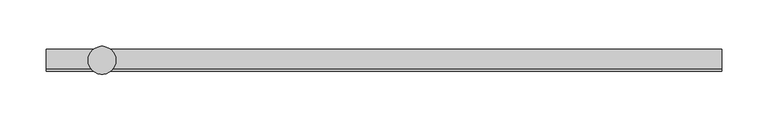
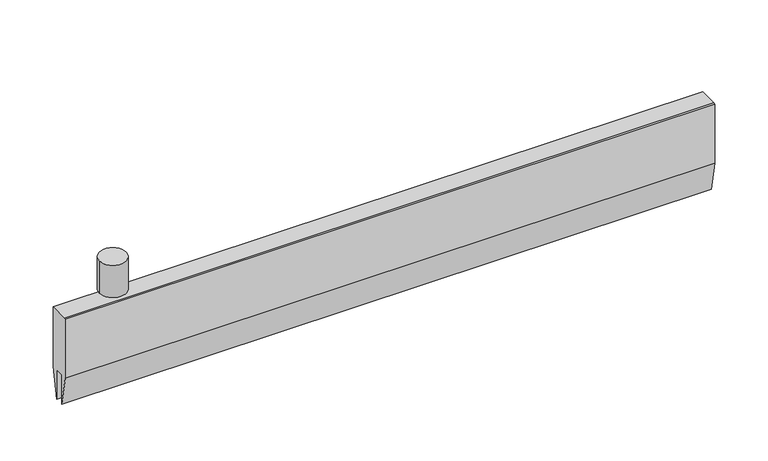
"""IFC4 building model written with IfcOpenShell, lengths in millimetres: proxy geometry."""

from ifc_helpers import new_model, si_unit, point, frame, origin, origin_2d, place, context, project, spatial, polyline, circle_curve, trimmed, segment, composite_curve, outline, extrude, source, transform, mapped, element, save


def specialty_equipment_78077e1c(model_context):
    return source(origin(), model_context, "Body", "SweptSolid", [
        extrude(outline(polyline([(12.0, 49.0), (12.0, -21.0), (5.0, -56.0), (5.0, -21.0), (-5.0, -21.0), (-5.0, -56.0), (-12.0, -21.0), (-12.0, 49.0), (-9.692747, 49.0), (12.0, 49.0)])), frame((-60.0, 0.0, 0.0), z_axis=(1.0, 0.0, 0.0), x_axis=(0.0, 1.0, 0.0)), (0.0, 0.0, 1.0), 727.9166667),
        extrude(outline(composite_curve([segment(trimmed(circle_curve(origin_2d(), 4.0), [point((-4.0, 0.0))], [point((4.0, 0.0))], False, "CARTESIAN"), True, "CONTINUOUS"), segment(trimmed(circle_curve(origin_2d(), 4.0), [point((4.0, 0.0))], [point((-4.0, 0.0))], False, "CARTESIAN"), True, "CONTINUOUS")], self_intersect=False)), frame((0.0, 0.0, 49.0), z_axis=(0.0, 0.0, 1.0), x_axis=(1.0, 0.0, 0.0)), (0.0, 0.0, 1.0), 30.0),
        extrude(outline(composite_curve([segment(trimmed(circle_curve(origin_2d(), 15.0), [point((-15.0, 0.0))], [point((15.0, 0.0))], False, "CARTESIAN"), True, "CONTINUOUS"), segment(trimmed(circle_curve(origin_2d(), 15.0), [point((15.0, 0.0))], [point((-15.0, 0.0))], False, "CARTESIAN"), True, "CONTINUOUS")], self_intersect=False)), frame((0.0, 0.0, 57.0), z_axis=(0.0, 0.0, 1.0), x_axis=(1.0, 0.0, 0.0)), (0.0, 0.0, 1.0), 38.0),
    ])


if __name__ == "__main__":
    model = new_model("IFC4")
    model_context = context("Model", 3, world=origin())
    ifc_project = project(units=[si_unit("LENGTHUNIT", "METRE", prefix="MILLI")], contexts=[model_context])
    site = spatial("IfcSite", under=ifc_project)
    building = spatial("IfcBuilding", under=site)
    placement = place(None, origin())
    specialty_equipment_shape = specialty_equipment_78077e1c(model_context)
    element("IfcBuildingElementProxy", 1, Name="Specialty Equipment", at=placement, inside=building, context=model_context, shape_type="MappedRepresentation", body=[
        mapped(specialty_equipment_shape, transform((0.0, 0.0, 0.0), x_axis=(1.0, 0.0, 0.0), y_axis=(0.0, 1.0, 0.0), z_axis=(0.0, 0.0, 1.0))),
    ])
    save(model, "model.ifc")
